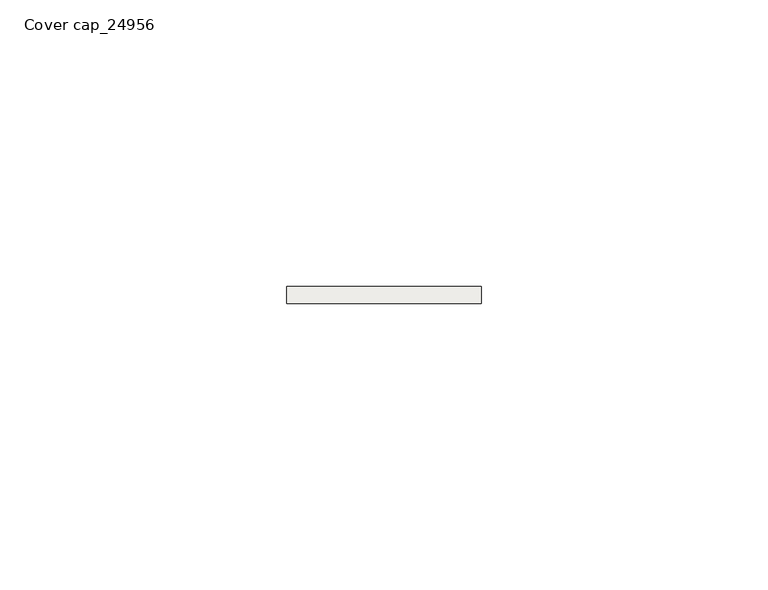
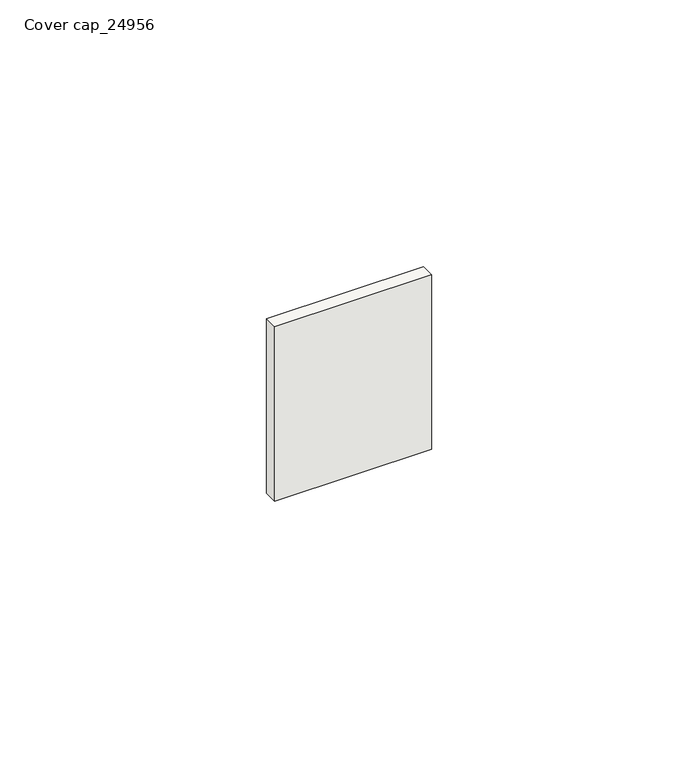
"""IFC4 building model written with IfcOpenShell, lengths in millimetres: covering geometry, Cover cap_24956."""

from ifc_helpers import new_model, si_unit, frame, origin, place, context, project, spatial, polyline, outline, extrude, source, transform, mapped, element, save


def cover_cap_24956_147479db(model_context):
    return source(origin(), model_context, "Body", "SweptSolid", [
        extrude(outline(polyline([(34.0, 0.0), (34.0, -3.0), (0.0, -3.0), (0.0, 0.0), (34.0, 0.0)])), frame((0.0, 0.0, -2.0), z_axis=(0.0, 0.0, 1.0), x_axis=(1.0, 0.0, 0.0)), (0.0, 0.0, 1.0), 40.0),
    ])


if __name__ == "__main__":
    model = new_model("IFC4")
    model_context = context("Model", 3, world=origin())
    ifc_project = project(units=[si_unit("LENGTHUNIT", "METRE", prefix="MILLI")], contexts=[model_context])
    site = spatial("IfcSite", under=ifc_project)
    building = spatial("IfcBuilding", under=site)
    placement = place(None, origin())
    cover_cap_24956_shape = cover_cap_24956_147479db(model_context)
    element("IfcCovering", 1, ObjectType="Cover cap_24956", at=placement, inside=building, context=model_context, shape_type="MappedRepresentation", body=[
        mapped(cover_cap_24956_shape, transform((0.0, 0.0, 0.0), x_axis=(1.0, 0.0, 0.0), y_axis=(0.0, 1.0, 0.0), z_axis=(0.0, 0.0, 1.0))),
    ])
    save(model, "model.ifc")
